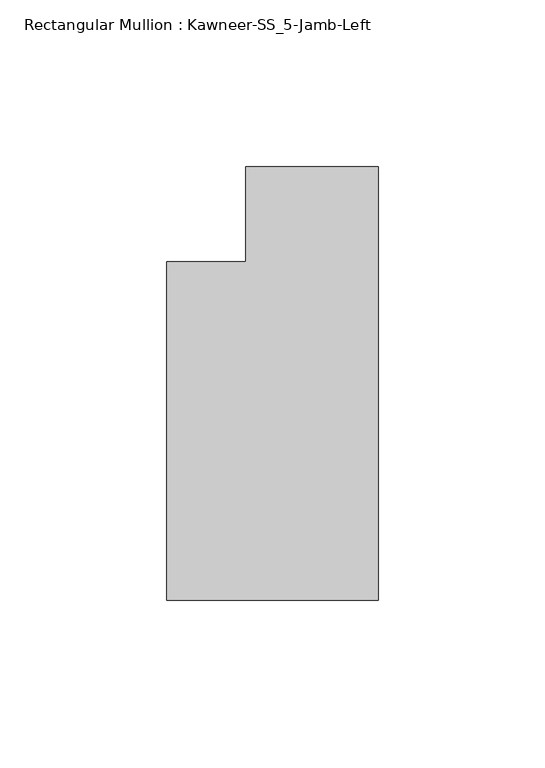
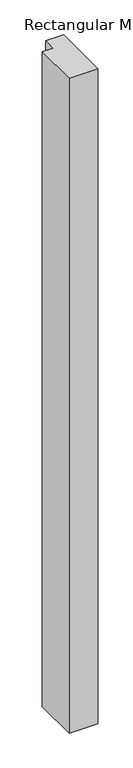
"""IFC4 building model written with IfcOpenShell, lengths in millimetres: member geometry, Rectangular Mullion : Kawneer-SS_5-Jamb-Left."""

from ifc_helpers import new_model, si_unit, frame, origin, place, context, project, spatial, polyline, outline, extrude, source, transform, mapped, element, save


def rectangular_mullion_kawneer_ss_5_jamb_left_299ec1a8(model_context):
    return source(origin(), model_context, "Body", "SweptSolid", [
        extrude(outline(polyline([(0.0, -115.8875), (-63.5, -115.8875), (-63.5, -14.2875), (-39.6875, -14.2875), (-39.6875, 14.2875), (0.0, 14.2875), (0.0, -115.8875)])), frame((0.0, 0.0, -1524.0), z_axis=(0.0, 0.0, 1.0), x_axis=(1.0, 0.0, 0.0)), (0.0, 0.0, 1.0), 1524.0),
    ])


if __name__ == "__main__":
    model = new_model("IFC4")
    model_context = context("Model", 3, world=origin())
    ifc_project = project(units=[si_unit("LENGTHUNIT", "METRE", prefix="MILLI")], contexts=[model_context])
    site = spatial("IfcSite", under=ifc_project)
    building = spatial("IfcBuilding", under=site)
    placement = place(None, origin())
    rectangular_mullion_kawneer_ss_5_jamb_left_shape = rectangular_mullion_kawneer_ss_5_jamb_left_299ec1a8(model_context)
    element("IfcMember", 1, ObjectType="Rectangular Mullion : Kawneer-SS_5-Jamb-Left", at=placement, inside=building, context=model_context, shape_type="MappedRepresentation", body=[
        mapped(rectangular_mullion_kawneer_ss_5_jamb_left_shape, transform((0.0, 0.0, 0.0), x_axis=(1.0, 0.0, 0.0), y_axis=(0.0, 1.0, 0.0), z_axis=(0.0, 0.0, 1.0))),
    ])
    save(model, "model.ifc")
